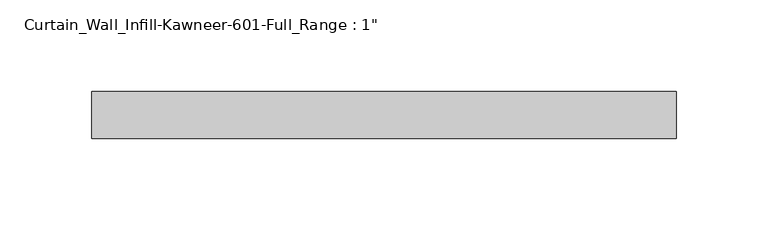
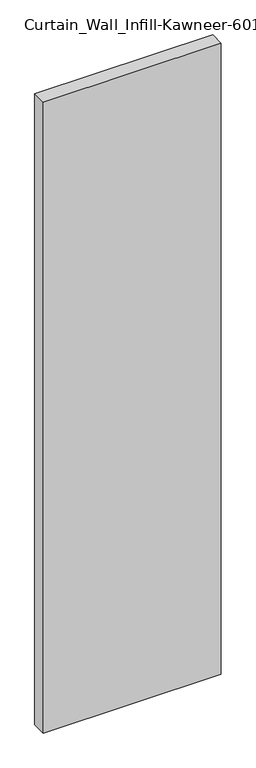
"""IFC4 building model written with IfcOpenShell, lengths in millimetres: plate geometry."""

from ifc_helpers import new_model, si_unit, origin, origin_with_axes, place, context, project, spatial, polyline, outline, extrude, source, transform, mapped, element, save


def plate_53f8c526(model_context):
    return source(origin(), model_context, "Body", "SweptSolid", [
        extrude(outline(polyline([(-158.75, 12.7), (158.75, 12.7), (158.75, -12.7), (-158.75, -12.7), (-158.75, 12.7)])), origin_with_axes(), (0.0, 0.0, 1.0), 1187.45),
    ])


if __name__ == "__main__":
    model = new_model("IFC4")
    model_context = context("Model", 3, world=origin())
    ifc_project = project(units=[si_unit("LENGTHUNIT", "METRE", prefix="MILLI")], contexts=[model_context])
    site = spatial("IfcSite", under=ifc_project)
    building = spatial("IfcBuilding", under=site)
    placement = place(None, origin())
    plate_shape = plate_53f8c526(model_context)
    element("IfcPlate", 1, ObjectType="Curtain_Wall_Infill-Kawneer-601-Full_Range : 1\"", at=placement, inside=building, context=model_context, shape_type="MappedRepresentation", body=[
        mapped(plate_shape, transform((0.0, 0.0, 0.0), x_axis=(1.0, 0.0, 0.0), y_axis=(0.0, 1.0, 0.0), z_axis=(0.0, 0.0, 1.0))),
    ])
    save(model, "model.ifc")
